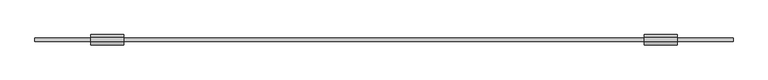
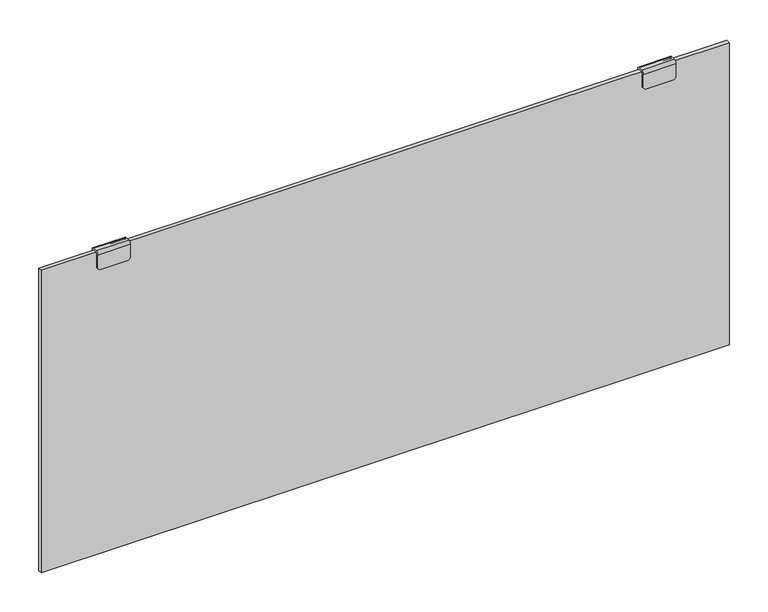
"""IFC4 building model written with IfcOpenShell, lengths in millimetres: furniture geometry."""

import ifcopenshell
import ifcopenshell.guid

model = None  # the IFC model being written
_history = None  # IfcOwnerHistory: only IFC2X3 demands one
_inside = {}  # id of a spatial element -> (the spatial element, [elements in it])
_under = {}  # id of a project, library or spatial element -> (it, [spatial elements below it])
_declared = {}  # id of a project -> (the project, [libraries it declares])
_typed = {}  # id of a type object -> (the type object, [elements of that type])
_made_of = {}  # id of a material, layer set ... -> (it, [elements and type objects made of it])


def new_model(schema):
    """Start an empty IFC model of exactly this schema.

    Asked for "IFC4X3", IfcOpenShell would pick the latest addendum, in which some entities
    have other attributes; the version numbers below select the first issue.
    IFC2X3 requires an IfcOwnerHistory on every rooted entity: one is made here for all.
    """
    global model, _history
    if schema == "IFC4X3":
        model = ifcopenshell.file(schema_version=(4, 3, 0, 0))
    else:
        model = ifcopenshell.file(schema=schema)
    _inside.clear()
    _under.clear()
    _declared.clear()
    _typed.clear()
    _made_of.clear()
    _history = None
    if model.schema == "IFC2X3":
        org = make("IfcOrganization", Name="unknown")
        user = make(
            "IfcPersonAndOrganization",
            ThePerson=make("IfcPerson", FamilyName="unknown"),
            TheOrganization=org,
        )
        app = make(
            "IfcApplication",
            ApplicationDeveloper=org,
            Version="unknown",
            ApplicationFullName="unknown",
            ApplicationIdentifier="unknown",
        )
        _history = make(
            "IfcOwnerHistory",
            OwningUser=user,
            OwningApplication=app,
            ChangeAction="ADDED",
            CreationDate=0,
        )
    return model


def make(cls, **values):
    """One entity of the class cls with the attributes given. An attribute that is None is left unset."""
    return model.create_entity(
        cls, **{name: value for name, value in values.items() if value is not None}
    )


def rooted(cls, **values):
    """An entity with a GlobalId (a new one), such as an element, a storey or a relation."""
    return make(cls, GlobalId=ifcopenshell.guid.new(), OwnerHistory=_history, **values)


def si_unit(unit_type, name, prefix=None):
    """IfcSIUnit, for example si_unit("LENGTHUNIT", "METRE", prefix="MILLI")."""
    return make("IfcSIUnit", UnitType=unit_type, Prefix=prefix, Name=name)


def assignment(units):
    """IfcUnitAssignment: the units of a project."""
    return None if units is None else make("IfcUnitAssignment", Units=units)


def point(xyz):
    """IfcCartesianPoint."""
    return None if xyz is None else make("IfcCartesianPoint", Coordinates=xyz)


def direction(xyz):
    """IfcDirection."""
    return None if xyz is None else make("IfcDirection", DirectionRatios=xyz)


def frame(location, z_axis=None, x_axis=None):
    """IfcAxis2Placement3D, a coordinate frame: its origin and axes. An axis left out is left unset."""
    return make(
        "IfcAxis2Placement3D",
        Location=point(location),
        Axis=direction(z_axis),
        RefDirection=direction(x_axis),
    )


def origin():
    """The frame at (0, 0, 0) with its axes left unset."""
    return frame((0.0, 0.0, 0.0))


def place(relative_to, where):
    """IfcLocalPlacement: puts the frame where relative to a parent placement (None: the world)."""
    return make(
        "IfcLocalPlacement", PlacementRelTo=relative_to, RelativePlacement=where
    )


def context(
    kind, dimensions, precision=None, world=None, true_north=None, identifier=None
):
    """IfcGeometricRepresentationContext, for example the 3D "Model" context."""
    return make(
        "IfcGeometricRepresentationContext",
        ContextIdentifier=identifier,
        ContextType=kind,
        CoordinateSpaceDimension=dimensions,
        Precision=precision,
        WorldCoordinateSystem=world,
        TrueNorth=true_north,
    )


def project(units=None, contexts=None):
    """IfcProject with its units and contexts."""
    return rooted(
        "IfcProject",
        Name="project",
        RepresentationContexts=contexts,
        UnitsInContext=assignment(units),
    )


def spatial(cls, under=None, at=None, **own):
    """A site, building, storey or space (cls), placed at a placement, below another one or the project."""
    s = rooted(cls, ObjectPlacement=at, **own)
    if under is not None:
        _under.setdefault(under.id(), (under, []))[1].append(s)
    return s


def polyline(points):
    """IfcPolyline through the points."""
    return make("IfcPolyline", Points=[point(p) for p in points])


def circle_curve(where, radius):
    """IfcCircle in the frame where."""
    return make("IfcCircle", Position=where, Radius=radius)


def outline(outer, holes=None, kind="AREA"):
    """IfcArbitraryClosedProfileDef: a profile drawn as a closed curve; with holes, ...WithVoids."""
    if holes is None:
        return make("IfcArbitraryClosedProfileDef", ProfileType=kind, OuterCurve=outer)
    return make(
        "IfcArbitraryProfileDefWithVoids",
        ProfileType=kind,
        OuterCurve=outer,
        InnerCurves=holes,
    )


def extrude(swept, where, along, depth):
    """IfcExtrudedAreaSolid: the profile swept, set in the frame where, extruded along a direction by depth."""
    return make(
        "IfcExtrudedAreaSolid",
        SweptArea=swept,
        Position=where,
        ExtrudedDirection=direction(along),
        Depth=depth,
    )


def shape(context_of_items, identifier, shape_type, items):
    """IfcShapeRepresentation: the items that make up one representation, for example the "Body"."""
    return make(
        "IfcShapeRepresentation",
        ContextOfItems=context_of_items,
        RepresentationIdentifier=identifier,
        RepresentationType=shape_type,
        Items=items,
    )


def source(mapping_origin, context_of_items, identifier, shape_type, items):
    """IfcRepresentationMap: a shape defined once, which mapped items show again and again."""
    return make(
        "IfcRepresentationMap",
        MappingOrigin=mapping_origin,
        MappedRepresentation=shape(context_of_items, identifier, shape_type, items),
    )


def transform(
    local_origin,
    x_axis=None,
    y_axis=None,
    z_axis=None,
    scale=None,
    scale2=None,
    scale3=None,
    uniform=True,
):
    """IfcCartesianTransformationOperator3D, or its non-uniform kind. x_axis, y_axis, z_axis: its Axis1, 2, 3."""
    if uniform:
        return make(
            "IfcCartesianTransformationOperator3D",
            Axis1=direction(x_axis),
            Axis2=direction(y_axis),
            LocalOrigin=point(local_origin),
            Scale=scale,
            Axis3=direction(z_axis),
        )
    return make(
        "IfcCartesianTransformationOperator3DnonUniform",
        Axis1=direction(x_axis),
        Axis2=direction(y_axis),
        LocalOrigin=point(local_origin),
        Scale=scale,
        Axis3=direction(z_axis),
        Scale2=scale2,
        Scale3=scale3,
    )


def mapped(mapping_source, mapping_target):
    """IfcMappedItem: shows the shape of a source again, moved by a transform."""
    return make(
        "IfcMappedItem", MappingSource=mapping_source, MappingTarget=mapping_target
    )


def made_of(thing, what):
    """Note that an element or type object is made of a material, layer set ...; save() writes the relation."""
    if what is not None:
        _made_of.setdefault(what.id(), (what, []))[1].append(thing)
    return thing


def element(
    cls,
    number,
    at=None,
    inside=None,
    cuts=None,
    type_object=None,
    material=None,
    context=None,
    identifier="Body",
    shape_type=None,
    held_by="IfcProductDefinitionShape",
    body=None,
    shapes=None,
    **own,
):
    """One element of the class cls, such as IfcWall. Its Tag is "e" and its number.

    at: its placement. inside: the storey or other place that contains it. cuts: it is an
    opening in that element (IfcRelVoidsElement). A single representation is given by context,
    identifier, shape_type and body (its items); several are given by shapes. held_by: the class
    of the entity that holds the representations. save() writes the other relations.
    """
    e = rooted(cls, Tag="e%d" % number, ObjectPlacement=at, **own)
    if body is not None:
        shapes = [shape(context, identifier, shape_type, body)]
    if shapes is not None:
        e.Representation = make(held_by, Representations=shapes)
    if inside is not None:
        _inside.setdefault(inside.id(), (inside, []))[1].append(e)
    if cuts is not None:
        rooted(
            "IfcRelVoidsElement", RelatingBuildingElement=cuts, RelatedOpeningElement=e
        )
    if type_object is not None:
        _typed.setdefault(type_object.id(), (type_object, []))[1].append(e)
    return made_of(e, material)


def aggregate(whole, parts):
    """IfcRelAggregates: a whole, such as a stair, and the parts it consists of."""
    return rooted("IfcRelAggregates", RelatingObject=whole, RelatedObjects=parts)


def save(model, path):
    """Write the relations noted so far, then the file.

    IfcRelAggregates (storeys below a building ...), IfcRelContainedInSpatialStructure (elements
    in a storey), IfcRelDefinesByType, IfcRelAssociatesMaterial and IfcRelDeclares: one each for
    every whole, place, type object, material and project.
    """
    for whole, parts in _under.values():
        aggregate(whole, parts)
    for where, things in _inside.values():
        rooted(
            "IfcRelContainedInSpatialStructure",
            RelatedElements=things,
            RelatingStructure=where,
        )
    for kind, things in _typed.values():
        rooted("IfcRelDefinesByType", RelatedObjects=things, RelatingType=kind)
    for what, things in _made_of.values():
        rooted("IfcRelAssociatesMaterial", RelatedObjects=things, RelatingMaterial=what)
    for by, libraries in _declared.values():
        rooted("IfcRelDeclares", RelatingContext=by, RelatedDefinitions=libraries)
    model.write(path)


def plane_surface(at):
    """IfcPlane: the flat surface through the origin of the frame at, square to its z axis."""
    return make("IfcPlane", Position=at)


def cylinder_surface(at, radius):
    """IfcCylindricalSurface: all points at the distance radius from the z axis of the frame at."""
    return make("IfcCylindricalSurface", Position=at, Radius=radius)


def revolved_surface(curve, axis_point, axis_direction):
    """IfcSurfaceOfRevolution: the curve turned about the line through axis_point along axis_direction."""
    return make(
        "IfcSurfaceOfRevolution",
        SweptCurve=make("IfcArbitraryOpenProfileDef", ProfileType="CURVE", Curve=curve),
        AxisPosition=make("IfcAxis1Placement", Location=point(axis_point), Axis=direction(axis_direction)),
    )


def advanced_brep(points, edges, surfaces, faces):
    """IfcAdvancedBrep: a solid bounded by faces that lie on surfaces and meet in shared edges.

    An edge is (start, end): straight between two places in points (the first is 0);
    or (start, end, curve); or (start, end, curve, False) where it runs against its curve.
    A face is (place in surfaces, loops), or (place, loops, False) where it looks against
    its surface's normal. A loop lists edges by number (the first is 1), with a minus sign
    where the edge is run from its end to its start. The first loop is the outer one.
    """
    corners = [point(p) for p in points]
    vertices = [make("IfcVertexPoint", VertexGeometry=c) for c in corners]
    made = []
    for start, end, *more in edges:
        made.append(
            make(
                "IfcEdgeCurve",
                EdgeStart=vertices[start],
                EdgeEnd=vertices[end],
                EdgeGeometry=more[0] if more else make("IfcPolyline", Points=[corners[start], corners[end]]),
                SameSense=more[1] if len(more) > 1 else True,
            )
        )
    hull = []
    for where, loops, *sense in faces:
        bounds = []
        for j, loop in enumerate(loops):
            ring = [make("IfcOrientedEdge", EdgeElement=made[abs(k) - 1], Orientation=k > 0) for k in loop]
            bounds.append(
                make(
                    "IfcFaceOuterBound" if j == 0 else "IfcFaceBound",
                    Bound=make("IfcEdgeLoop", EdgeList=ring),
                    Orientation=True,
                )
            )
        hull.append(make("IfcAdvancedFace", Bounds=bounds, FaceSurface=surfaces[where], SameSense=sense[0] if sense else True))
    return make("IfcAdvancedBrep", Outer=make("IfcClosedShell", CfsFaces=hull))


def furniture_769f9f8a(model_context):
    return source(origin(), model_context, "Body", "SolidModel", [
        advanced_brep(
        [(159.1566915, -47.0095352, 1027.6205211), (162.3920681, -47.0095352, 1024.572524), (206.8545977, -47.0095352, 1024.572524), (209.9566976, -47.0095352, 1027.6205211), (209.9566976, -47.0095352, 1049.8454775), (159.1566915, -47.0095352, 1049.8454775), (209.9566976, -44.4695376, 1027.6205211), (206.8545977, -44.4695376, 1024.572524), (162.3920681, -44.4695376, 1024.572524), (159.1566915, -44.4695376, 1027.6205211), (159.1566915, -44.4695376, 1049.8455163), (209.9566976, -44.4695376, 1049.8455163), (209.9566976, -42.5645376, 1051.7505163), (209.9566976, -35.8081359, 1051.7505163), (209.9566976, -33.9031359, 1049.8455163), (209.9566976, -33.9031359, 1027.6205033), (209.9566976, -31.363136, 1027.6205033), (209.9566976, -31.363136, 1049.8454775), (209.9566976, -35.808136, 1054.2904775), (209.9566976, -42.5645352, 1054.2904775), (159.1566915, -42.5645352, 1054.2904775), (159.1566915, -35.808136, 1054.2904775), (159.1566915, -31.363136, 1049.8454775), (159.1566915, -31.363136, 1027.6205382), (159.1566915, -33.9031359, 1027.6205382), (159.1566915, -33.9031359, 1049.8455163), (159.1566915, -35.8081359, 1051.7505163), (159.1566915, -42.5645376, 1051.7505163), (206.8546158, -31.363136, 1024.572524), (162.3920863, -31.363136, 1024.572524), (162.3920863, -33.9031359, 1024.572524), (206.8546158, -33.9031359, 1024.572524)],
        [
            (0, 1),
            (1, 2),
            (2, 3),
            (3, 4),
            (4, 5),
            (5, 0),
            (6, 7),
            (7, 8),
            (8, 9),
            (9, 10),
            (10, 11),
            (11, 6),
            (0, 9),
            (8, 1),
            (7, 2),
            (6, 3),
            (11, 12, circle_curve(frame((209.9566976, -42.5645376, 1049.8455163), z_axis=(-1.0, 0.0, 0.0), x_axis=(0.0, -1.0, 0.0)), 1.905)),
            (12, 13),
            (13, 14, circle_curve(frame((209.9566976, -35.8081359, 1049.8455163), z_axis=(-1.0, 0.0, 0.0), x_axis=(0.0, -1.0, 0.0)), 1.905)),
            (14, 15),
            (15, 16),
            (16, 17),
            (17, 18, circle_curve(frame((209.9566976, -35.808136, 1049.8454775), z_axis=(1.0, 0.0, 0.0), x_axis=(0.0, -1.0, 0.0)), 4.445)),
            (18, 19),
            (19, 4, circle_curve(frame((209.9566976, -42.5645352, 1049.8454775), z_axis=(1.0, 0.0, 0.0), x_axis=(0.0, -1.0, 0.0)), 4.445)),
            (5, 20, circle_curve(frame((159.1566915, -42.5645352, 1049.8454775), z_axis=(-1.0, 0.0, 0.0), x_axis=(0.0, -1.0, 0.0)), 4.445)),
            (20, 21),
            (21, 22, circle_curve(frame((159.1566915, -35.808136, 1049.8454775), z_axis=(-1.0, 0.0, 0.0), x_axis=(0.0, -1.0, 0.0)), 4.445)),
            (22, 23),
            (23, 24),
            (24, 25),
            (25, 26, circle_curve(frame((159.1566915, -35.8081359, 1049.8455163), z_axis=(1.0, 0.0, 0.0), x_axis=(0.0, -1.0, 0.0)), 1.905)),
            (26, 27),
            (27, 10, circle_curve(frame((159.1566915, -42.5645376, 1049.8455163), z_axis=(1.0, 0.0, 0.0), x_axis=(0.0, -1.0, 0.0)), 1.905)),
            (22, 17),
            (16, 28),
            (28, 29),
            (29, 23),
            (24, 30),
            (30, 31),
            (31, 15),
            (14, 25),
            (13, 26),
            (12, 27),
            (19, 20),
            (18, 21),
            (31, 28),
            (30, 29),
        ],
        [
            plane_surface(frame((162.3920681, -47.0095352, 1024.572524), z_axis=(0.0, -1.0, 0.0), x_axis=(0.7278701739441599, 0.0, -0.6857149625627973))),
            plane_surface(frame((162.3920681, -44.4695376, 1024.572524), z_axis=(0.0, 1.0, 0.0), x_axis=(-0.7278701739441599, 0.0, 0.6857149625627973))),
            plane_surface(frame((159.1566915, -47.0095352, 1027.6205211), z_axis=(-0.6857149625627973, 0.0, -0.7278701739441599), x_axis=(0.0, 1.0, 0.0))),
            plane_surface(frame((162.3920681, -47.0095352, 1024.572524), z_axis=(0.0, 0.0, -1.0), x_axis=(0.0, 1.0, 0.0))),
            plane_surface(frame((206.8545977, -47.0095352, 1024.572524), z_axis=(0.7008591983056989, 0.0, -0.7132996454157909), x_axis=(0.0, 1.0, 0.0))),
            plane_surface(frame((209.9566976, -47.0095352, 1027.6205211), z_axis=(1.0, 0.0, 0.0), x_axis=(0.0, 1.0, 0.0))),
            plane_surface(frame((159.1566915, -47.0095352, 1039.0505284), z_axis=(-1.0, 0.0, 0.0), x_axis=(0.0, 1.0, 0.0))),
            plane_surface(frame((1009.4979017, -31.363136, 1049.8454775), z_axis=(0.0, 1.0, 0.0), x_axis=(1.0, 0.0, 0.0))),
            plane_surface(frame((1009.4979017, -33.9031359, 1039.0505284), z_axis=(0.0, -1.0, 0.0), x_axis=(1.0, 0.0, 0.0))),
            revolved_surface(polyline([(209.9566976, -37.713135900000005, 1049.8455163), (159.1566915, -37.713135900000005, 1049.8455163)]), (209.9566976, -35.8081359, 1049.8455163), (1.0, 0.0, 0.0)),
            plane_surface(frame((159.1566915, -35.8081359, 1051.7505163), z_axis=(0.0, 0.0, -1.0), x_axis=(1.0, 0.0, 0.0))),
            revolved_surface(polyline([(209.9566976, -44.4695376, 1049.8455163), (159.1566915, -44.4695376, 1049.8455163)]), (209.9566976, -42.5645376, 1049.8455163), (1.0, 0.0, 0.0)),
            cylinder_surface(frame((209.9566976, -42.5645352, 1049.8454775), z_axis=(-1.0, 0.0, 0.0), x_axis=(0.0, -1.0, 0.0)), 4.445),
            plane_surface(frame((159.1566915, -42.5645352, 1054.2904775), z_axis=(0.0, 0.0, 1.0), x_axis=(1.0, 0.0, 0.0))),
            cylinder_surface(frame((209.9566976, -35.808136, 1049.8454775), z_axis=(-1.0, 0.0, 0.0), x_axis=(0.0, -1.0, 0.0)), 4.445),
            plane_surface(frame((209.9566976, -31.363136, 1027.6205033), z_axis=(0.7008591983048311, 0.0, -0.7132996454166436), x_axis=(0.0, -1.0, 0.0))),
            plane_surface(frame((206.8546158, -31.363136, 1024.572524), z_axis=(0.0, 0.0, -1.0), x_axis=(0.0, -1.0, 0.0))),
            plane_surface(frame((162.3920863, -31.363136, 1024.572524), z_axis=(-0.6857149625627966, 0.0, -0.7278701739441605), x_axis=(0.0, -1.0, 0.0))),
        ],
        [
            (0, [[1, 2, 3, 4, 5, 6]]),
            (1, [[7, 8, 9, 10, 11, 12]]),
            (2, [[-1, 13, -9, 14]]),
            (3, [[-2, -14, -8, 15]]),
            (4, [[-3, -15, -7, 16]]),
            (5, [[-16, -12, 17, 18, 19, 20, 21, 22, 23, 24, 25, -4]]),
            (6, [[-13, -6, 26, 27, 28, 29, 30, 31, 32, 33, 34, -10]]),
            (7, [[-29, 35, -22, 36, 37, 38]]),
            (8, [[-31, 39, 40, 41, -20, 42]]),
            (9, [[-32, -42, -19, 43]]),
            (10, [[-33, -43, -18, 44]]),
            (11, [[-34, -44, -17, -11]]),
            (12, [[-26, -5, -25, 45]]),
            (13, [[-27, -45, -24, 46]]),
            (14, [[-28, -46, -23, -35]]),
            (15, [[-36, -21, -41, 47]]),
            (16, [[-37, -47, -40, 48]]),
            (17, [[-38, -48, -39, -30]]),
        ],
    ),
        advanced_brep(
        [(1009.4979017, -47.0095352, 1027.6205382), (1012.7332965, -47.0095352, 1024.572524), (1057.1958261, -47.0095352, 1024.572524), (1060.2979259, -47.0095352, 1027.6205211), (1060.2979259, -47.0095352, 1049.8454775), (1009.4979017, -47.0095352, 1049.8454775), (1060.2979259, -44.4695376, 1027.6205211), (1057.1958261, -44.4695376, 1024.572524), (1012.7332965, -44.4695376, 1024.572524), (1009.4979017, -44.4695376, 1027.6205382), (1009.4979017, -44.4695376, 1049.8455163), (1060.2979259, -44.4695376, 1049.8455163), (1060.2979259, -42.5645376, 1051.7505163), (1060.2979259, -35.8081359, 1051.7505163), (1060.2979259, -33.9031359, 1049.8455163), (1060.2979259, -33.9031359, 1027.6205211), (1060.2979259, -31.363136, 1027.6205211), (1060.2979259, -31.363136, 1049.8454775), (1060.2979259, -35.808136, 1054.2904775), (1060.2979259, -42.5645352, 1054.2904775), (1009.4979017, -42.5645352, 1054.2904775), (1009.4979017, -35.808136, 1054.2904775), (1009.4979017, -31.363136, 1049.8454775), (1009.4979017, -31.363136, 1027.6205382), (1009.4979017, -33.9031359, 1027.6205382), (1009.4979017, -33.9031359, 1049.8455163), (1009.4979017, -35.8081359, 1051.7505163), (1009.4979017, -42.5645376, 1051.7505163), (1057.1958261, -31.363136, 1024.572524), (1012.7332965, -31.363136, 1024.572524), (1012.7332965, -33.9031359, 1024.572524), (1057.1958261, -33.9031359, 1024.572524)],
        [
            (0, 1),
            (1, 2),
            (2, 3),
            (3, 4),
            (4, 5),
            (5, 0),
            (6, 7),
            (7, 8),
            (8, 9),
            (9, 10),
            (10, 11),
            (11, 6),
            (0, 9),
            (8, 1),
            (7, 2),
            (6, 3),
            (11, 12, circle_curve(frame((1060.2979259, -42.5645376, 1049.8455163), z_axis=(-1.0, 0.0, 0.0), x_axis=(0.0, -1.0, 0.0)), 1.905)),
            (12, 13),
            (13, 14, circle_curve(frame((1060.2979259, -35.8081359, 1049.8455163), z_axis=(-1.0, 0.0, 0.0), x_axis=(0.0, -1.0, 0.0)), 1.905)),
            (14, 15),
            (15, 16),
            (16, 17),
            (17, 18, circle_curve(frame((1060.2979259, -35.808136, 1049.8454775), z_axis=(1.0, 0.0, 0.0), x_axis=(0.0, -1.0, 0.0)), 4.445)),
            (18, 19),
            (19, 4, circle_curve(frame((1060.2979259, -42.5645352, 1049.8454775), z_axis=(1.0, 0.0, 0.0), x_axis=(0.0, -1.0, 0.0)), 4.445)),
            (5, 20, circle_curve(frame((1009.4979017, -42.5645352, 1049.8454775), z_axis=(-1.0, 0.0, 0.0), x_axis=(0.0, -1.0, 0.0)), 4.445)),
            (20, 21),
            (21, 22, circle_curve(frame((1009.4979017, -35.808136, 1049.8454775), z_axis=(-1.0, 0.0, 0.0), x_axis=(0.0, -1.0, 0.0)), 4.445)),
            (22, 23),
            (23, 24),
            (24, 25),
            (25, 26, circle_curve(frame((1009.4979017, -35.8081359, 1049.8455163), z_axis=(1.0, 0.0, 0.0), x_axis=(0.0, -1.0, 0.0)), 1.905)),
            (26, 27),
            (27, 10, circle_curve(frame((1009.4979017, -42.5645376, 1049.8455163), z_axis=(1.0, 0.0, 0.0), x_axis=(0.0, -1.0, 0.0)), 1.905)),
            (25, 14),
            (13, 26),
            (12, 27),
            (19, 20),
            (18, 21),
            (17, 22),
            (16, 28),
            (28, 29),
            (29, 23),
            (24, 30),
            (30, 31),
            (31, 15),
            (31, 28),
            (30, 29),
        ],
        [
            plane_surface(frame((162.3920681, -47.0095352, 1024.572524), z_axis=(0.0, -1.0, 0.0), x_axis=(0.7278701739441599, 0.0, -0.6857149625627973))),
            plane_surface(frame((162.3920681, -44.4695376, 1024.572524), z_axis=(0.0, 1.0, 0.0), x_axis=(-0.7278701739441599, 0.0, 0.6857149625627973))),
            plane_surface(frame((1009.4979017, -47.0095352, 1027.6205382), z_axis=(-0.6857149625628121, 0.0, -0.727870173944146), x_axis=(0.0, 1.0, 0.0))),
            plane_surface(frame((1012.7332965, -47.0095352, 1024.572524), z_axis=(0.0, 0.0, -1.0), x_axis=(0.0, 1.0, 0.0))),
            plane_surface(frame((1057.1958261, -47.0095352, 1024.572524), z_axis=(0.7008591983057134, 0.0, -0.7132996454157766), x_axis=(0.0, 1.0, 0.0))),
            plane_surface(frame((1060.2979259, -47.0095352, 1027.6205211), z_axis=(1.0, 0.0, 0.0), x_axis=(0.0, 1.0, 0.0))),
            plane_surface(frame((1009.4979017, -47.0095352, 1039.0505284), z_axis=(-1.0, 0.0, 0.0), x_axis=(0.0, 1.0, 0.0))),
            revolved_surface(polyline([(1060.2979259, -37.713135900000005, 1049.8455163), (1009.4979017, -37.713135900000005, 1049.8455163)]), (1060.2979259, -35.8081359, 1049.8455163), (1.0, 0.0, 0.0)),
            plane_surface(frame((1009.4979017, -35.8081359, 1051.7505163), z_axis=(0.0, 0.0, -1.0), x_axis=(1.0, 0.0, 0.0))),
            revolved_surface(polyline([(1060.2979259, -44.4695376, 1049.8455163), (1009.4979017, -44.4695376, 1049.8455163)]), (1060.2979259, -42.5645376, 1049.8455163), (1.0, 0.0, 0.0)),
            cylinder_surface(frame((1060.2979259, -42.5645352, 1049.8454775), z_axis=(-1.0, 0.0, 0.0), x_axis=(0.0, -1.0, 0.0)), 4.445),
            plane_surface(frame((1009.4979017, -42.5645352, 1054.2904775), z_axis=(0.0, 1.6828645838320229e-12, 1.0), x_axis=(1.0, 0.0, 0.0))),
            cylinder_surface(frame((1060.2979259, -35.808136, 1049.8454775), z_axis=(-1.0, 0.0, 0.0), x_axis=(0.0, -1.0, 0.0)), 4.445),
            plane_surface(frame((1009.4979017, -31.363136, 1049.8454775), z_axis=(0.0, 1.0, 0.0), x_axis=(1.0, 0.0, 0.0))),
            plane_surface(frame((1009.4979017, -33.9031359, 1039.0505284), z_axis=(0.0, -1.0, 0.0), x_axis=(1.0, 0.0, 0.0))),
            plane_surface(frame((1060.2979259, -31.363136, 1027.6205211), z_axis=(0.7008591983047653, 0.0, -0.7132996454167082), x_axis=(0.0, -1.0, 0.0))),
            plane_surface(frame((1057.1958261, -31.363136, 1024.572524), z_axis=(0.0, 0.0, -1.0), x_axis=(0.0, -1.0, 0.0))),
            plane_surface(frame((1012.7332965, -31.363136, 1024.572524), z_axis=(-0.6857149625627966, 0.0, -0.7278701739441605), x_axis=(0.0, -1.0, 0.0))),
        ],
        [
            (0, [[1, 2, 3, 4, 5, 6]]),
            (1, [[7, 8, 9, 10, 11, 12]]),
            (2, [[-1, 13, -9, 14]]),
            (3, [[-2, -14, -8, 15]]),
            (4, [[-3, -15, -7, 16]]),
            (5, [[-16, -12, 17, 18, 19, 20, 21, 22, 23, 24, 25, -4]]),
            (6, [[-13, -6, 26, 27, 28, 29, 30, 31, 32, 33, 34, -10]]),
            (7, [[-32, 35, -19, 36]]),
            (8, [[-33, -36, -18, 37]]),
            (9, [[-34, -37, -17, -11]]),
            (10, [[-26, -5, -25, 38]]),
            (11, [[-27, -38, -24, 39]]),
            (12, [[-28, -39, -23, 40]]),
            (13, [[-29, -40, -22, 41, 42, 43]]),
            (14, [[-31, 44, 45, 46, -20, -35]]),
            (15, [[-41, -21, -46, 47]]),
            (16, [[-42, -47, -45, 48]]),
            (17, [[-43, -48, -44, -30]]),
        ],
    ),
        extrude(outline(polyline([(1146.0228915, -42.1835353), (73.4316915, -42.1835353), (73.4316915, -36.189136), (1146.0228915, -36.189136), (1146.0228915, -42.1835353)])), frame((0.0, 0.0, 553.4787163), z_axis=(0.0, 0.0, 1.0), x_axis=(1.0, 0.0, 0.0)), (0.0, 0.0, 1.0), 498.2718),
    ])


if __name__ == "__main__":
    model = new_model("IFC4")
    model_context = context("Model", 3, world=origin())
    ifc_project = project(units=[si_unit("LENGTHUNIT", "METRE", prefix="MILLI")], contexts=[model_context])
    site = spatial("IfcSite", under=ifc_project)
    building = spatial("IfcBuilding", under=site)
    placement = place(None, origin())
    furniture_shape = furniture_769f9f8a(model_context)
    element("IfcFurniture", 1, at=placement, inside=building, context=model_context, shape_type="MappedRepresentation", body=[
        mapped(furniture_shape, transform((0.0, 0.0, 0.0), x_axis=(1.0, 0.0, 0.0), y_axis=(0.0, 1.0, 0.0), z_axis=(0.0, 0.0, 1.0))),
    ])
    save(model, "model.ifc")
